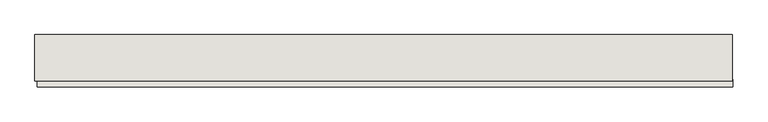
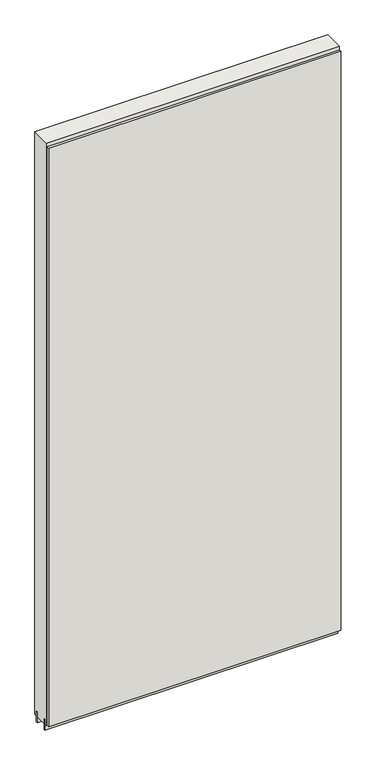
"""IFC4 building model written with IfcOpenShell, lengths in millimetres: wall geometry."""

from ifc_helpers import new_model, si_unit, frame, origin, place, context, project, spatial, polyline, outline, extrude, source, transform, mapped, element, save


def wall_9597abfd(model_context):
    return source(origin(), model_context, "Body", "SweptSolid", [
        extrude(outline(polyline([(68440.9709664, -47237.6636398), (68443.5109664, -47237.6636398), (68443.5109664, -47240.2036398), (68440.9709664, -47240.2036398), (68440.9709664, -47237.6636398)])), frame((0.0, 0.0, 4419.6), z_axis=(0.0, 0.0, 1.0), x_axis=(1.0, 0.0, 0.0)), (0.0, 0.0, 1.0), 2.54),
        extrude(outline(polyline([(68443.9802822, -47289.7336398), (67228.7802742, -47289.7336398), (67228.7802742, -47277.0336398), (68443.9802822, -47277.0336398), (68443.9802822, -47289.7336398)])), frame((0.0, 0.0, 4445.0), z_axis=(0.0, 0.0, 1.0), x_axis=(1.0, 0.0, 0.0)), (0.0, 0.0, 1.0), 2545.0498756),
        extrude(outline(polyline([(67224.2998158, -47264.0142856), (68443.4998158, -47264.0142856), (68443.4998158, -47269.0961398), (67224.2998158, -47269.0961398), (67224.2998158, -47264.0142856)])), frame((0.0, 0.0, 4418.6602), z_axis=(0.0, 0.0, 1.0), x_axis=(1.0, 0.0, 0.0)), (0.0, 0.0, 1.0), 47.625),
        extrude(outline(polyline([(67224.2998158, -47264.0142856), (68443.4998158, -47264.0142856), (68443.4998158, -47269.0961398), (67224.2998158, -47269.0961398), (67224.2998158, -47264.0142856)])), frame((0.0, 0.0, 4418.6602), z_axis=(0.0, 0.0, 1.0), x_axis=(1.0, 0.0, 0.0)), (0.0, 0.0, 1.0), 47.625),
        extrude(outline(polyline([(68443.4998158, -47213.8498952), (67224.2998158, -47213.8498952), (67224.2998158, -47208.7711398), (68443.4998158, -47208.7711398), (68443.4998158, -47213.8498952)])), frame((0.0, 0.0, 4418.6602), z_axis=(0.0, 0.0, 1.0), x_axis=(1.0, 0.0, 0.0)), (0.0, 0.0, 1.0), 47.625),
        extrude(outline(polyline([(68443.4998158, -47213.8498952), (67224.2998158, -47213.8498952), (67224.2998158, -47208.7711398), (68443.4998158, -47208.7711398), (68443.4998158, -47213.8498952)])), frame((0.0, 0.0, 4418.6602), z_axis=(0.0, 0.0, 1.0), x_axis=(1.0, 0.0, 0.0)), (0.0, 0.0, 1.0), 47.625),
        extrude(outline(polyline([(67224.2998158, -47279.5854254), (67224.2998158, -47198.30667), (68443.4998158, -47198.30667), (68443.4998158, -47279.5854254), (67224.2998158, -47279.5854254)])), frame((0.0, 0.0, 4445.0), z_axis=(0.0, 0.0, 1.0), x_axis=(1.0, 0.0, 0.0)), (0.0, 0.0, 1.0), 2562.4536762),
    ])


if __name__ == "__main__":
    model = new_model("IFC4")
    model_context = context("Model", 3, world=origin())
    ifc_project = project(units=[si_unit("LENGTHUNIT", "METRE", prefix="MILLI")], contexts=[model_context])
    site = spatial("IfcSite", under=ifc_project)
    building = spatial("IfcBuilding", under=site)
    placement = place(None, origin())
    wall_shape = wall_9597abfd(model_context)
    element("IfcWall", 1, at=placement, inside=building, context=model_context, shape_type="MappedRepresentation", body=[
        mapped(wall_shape, transform((0.0, 0.0, 0.0), x_axis=(1.0, 0.0, 0.0), y_axis=(0.0, 1.0, 0.0), z_axis=(0.0, 0.0, 1.0))),
    ])
    save(model, "model.ifc")
